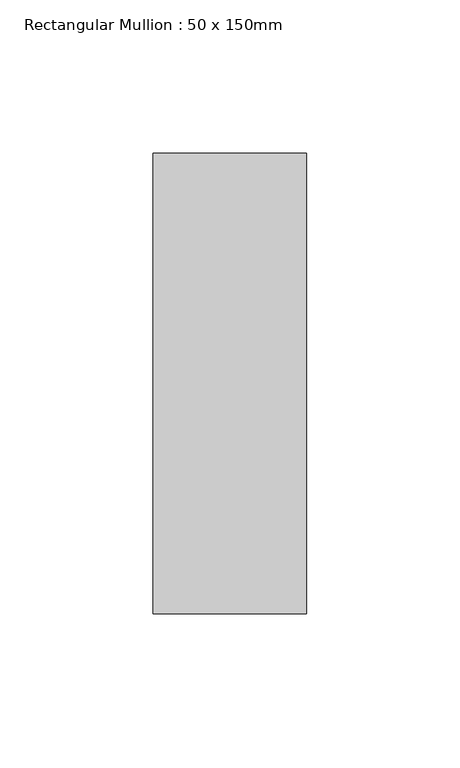
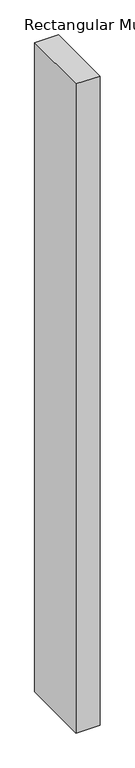
"""IFC4 building model written with IfcOpenShell, lengths in millimetres: member geometry, Rectangular Mullion : 50 x 150mm."""

from ifc_helpers import new_model, si_unit, frame, origin, place, context, project, spatial, polyline, outline, extrude, source, transform, mapped, element, save


def rectangular_mullion_50_x_150mm_8a63bab3(model_context):
    return source(origin(), model_context, "Body", "SweptSolid", [
        extrude(outline(polyline([(0.0, 75.0), (0.0, -75.0), (-50.0, -75.0), (-50.0, 75.0), (0.0, 75.0)])), frame((0.0, 0.0, -1435.9104546), z_axis=(0.0, 0.0, 1.0), x_axis=(1.0, 0.0, 0.0)), (0.0, 0.0, 1.0), 1435.9104546),
    ])


if __name__ == "__main__":
    model = new_model("IFC4")
    model_context = context("Model", 3, world=origin())
    ifc_project = project(units=[si_unit("LENGTHUNIT", "METRE", prefix="MILLI")], contexts=[model_context])
    site = spatial("IfcSite", under=ifc_project)
    building = spatial("IfcBuilding", under=site)
    placement = place(None, origin())
    rectangular_mullion_50_x_150mm_shape = rectangular_mullion_50_x_150mm_8a63bab3(model_context)
    element("IfcMember", 1, ObjectType="Rectangular Mullion : 50 x 150mm", at=placement, inside=building, context=model_context, shape_type="MappedRepresentation", body=[
        mapped(rectangular_mullion_50_x_150mm_shape, transform((0.0, 0.0, 0.0), x_axis=(1.0, 0.0, 0.0), y_axis=(0.0, 1.0, 0.0), z_axis=(0.0, 0.0, 1.0))),
    ])
    save(model, "model.ifc")
